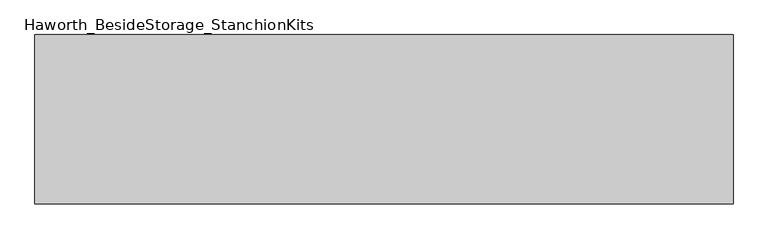
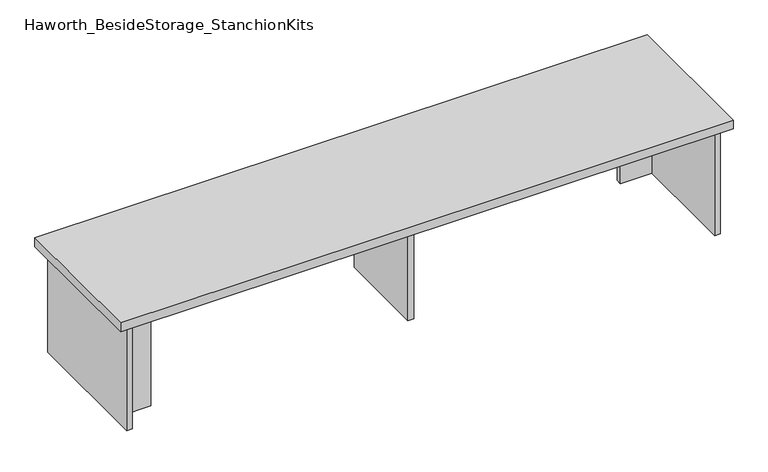
"""IFC4 building model written with IfcOpenShell, lengths in millimetres: furniture geometry, Haworth_BesideStorage_StanchionKits."""

from ifc_helpers import new_model, si_unit, frame, origin, place, context, project, spatial, polyline, outline, extrude, source, transform, mapped, element, save


def haworth_besidestorage_stanchionkits_9cd1da78(model_context):
    return source(origin(), model_context, "Body", "SweptSolid", [
        extrude(outline(polyline([(1000.125, 0.0), (1000.125, -406.4), (-676.275, -406.4), (-676.275, 0.0), (1000.125, 0.0)])), frame((0.0, 0.0, 736.6), z_axis=(0.0, 0.0, 1.0), x_axis=(1.0, 0.0, 0.0)), (0.0, 0.0, 1.0), 25.4),
        extrude(outline(polyline([(873.125, -76.2), (958.85, -76.2), (958.85, -92.075), (873.125, -92.075), (873.125, -76.2)])), frame((0.0, 0.0, 431.8), z_axis=(0.0, 0.0, 1.0), x_axis=(1.0, 0.0, 0.0)), (0.0, 0.0, 1.0), 304.8),
        extrude(outline(polyline([(-549.275, -314.325), (-549.275, -330.2), (-635.0, -330.2), (-635.0, -314.325), (-549.275, -314.325)])), frame((0.0, 0.0, 431.8), z_axis=(0.0, 0.0, 1.0), x_axis=(1.0, 0.0, 0.0)), (0.0, 0.0, 1.0), 304.8),
        extrude(outline(polyline([(169.8625, -330.2), (153.9875, -330.2), (153.9875, -76.2), (169.8625, -76.2), (169.8625, -330.2)])), frame((0.0, 0.0, 431.8), z_axis=(0.0, 0.0, 1.0), x_axis=(1.0, 0.0, 0.0)), (0.0, 0.0, 1.0), 304.8),
        extrude(outline(polyline([(974.725, -390.525), (958.85, -390.525), (958.85, -15.875), (974.725, -15.875), (974.725, -390.525)])), frame((0.0, 0.0, 431.8), z_axis=(0.0, 0.0, 1.0), x_axis=(1.0, 0.0, 0.0)), (0.0, 0.0, 1.0), 304.8),
        extrude(outline(polyline([(-635.0, -390.525), (-650.875, -390.525), (-650.875, -15.875), (-635.0, -15.875), (-635.0, -390.525)])), frame((0.0, 0.0, 431.8), z_axis=(0.0, 0.0, 1.0), x_axis=(1.0, 0.0, 0.0)), (0.0, 0.0, 1.0), 304.8),
    ])


if __name__ == "__main__":
    model = new_model("IFC4")
    model_context = context("Model", 3, world=origin())
    ifc_project = project(units=[si_unit("LENGTHUNIT", "METRE", prefix="MILLI")], contexts=[model_context])
    site = spatial("IfcSite", under=ifc_project)
    building = spatial("IfcBuilding", under=site)
    placement = place(None, origin())
    haworth_besidestorage_stanchionkits_shape = haworth_besidestorage_stanchionkits_9cd1da78(model_context)
    element("IfcFurniture", 1, ObjectType="Haworth_BesideStorage_StanchionKits", at=placement, inside=building, context=model_context, shape_type="MappedRepresentation", body=[
        mapped(haworth_besidestorage_stanchionkits_shape, transform((0.0, 0.0, 0.0), x_axis=(1.0, 0.0, 0.0), y_axis=(0.0, 1.0, 0.0), z_axis=(0.0, 0.0, 1.0))),
    ])
    save(model, "model.ifc")
